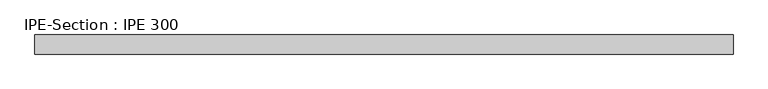
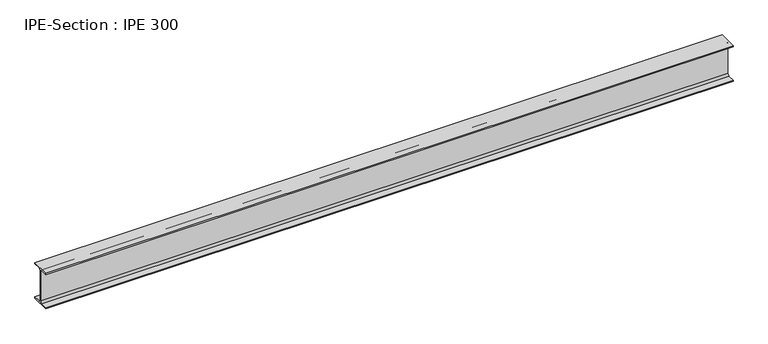
"""IFC4 building model written with IfcOpenShell, lengths in millimetres: beam geometry, IPE-Section : IPE 300."""

from ifc_helpers import new_model, si_unit, point, frame, frame_2d, origin, place, context, project, spatial, polyline, circle_curve, trimmed, segment, composite_curve, outline, extrude, source, transform, mapped, element, save


def ipe_section_ipe_300_46ba0579(model_context):
    return source(origin(), model_context, "Body", "SweptSolid", [
        extrude(outline(composite_curve([segment(polyline([(75.0, -139.3), (75.0, -150.0), (-75.0, -150.0), (-75.0, -139.3), (-18.55, -139.3)]), True, "CONTINUOUS"), segment(trimmed(circle_curve(frame_2d((-18.55, -124.3)), 15.0), [point((-18.55, -139.3))], [point((-3.55, -124.3))], True, "CARTESIAN"), True, "CONTINUOUS"), segment(polyline([(-3.55, -124.3), (-3.55, 124.3)]), True, "CONTINUOUS"), segment(trimmed(circle_curve(frame_2d((-18.55, 124.3)), 15.0), [point((-3.55, 124.3))], [point((-18.55, 139.3))], True, "CARTESIAN"), True, "CONTINUOUS"), segment(polyline([(-18.55, 139.3), (-75.0, 139.3), (-75.0, 150.0), (75.0, 150.0), (75.0, 139.3), (18.55, 139.3)]), True, "CONTINUOUS"), segment(trimmed(circle_curve(frame_2d((18.55, 124.3)), 15.0), [point((18.55, 139.3))], [point((3.55, 124.3))], True, "CARTESIAN"), True, "CONTINUOUS"), segment(polyline([(3.55, 124.3), (3.55, -124.3)]), True, "CONTINUOUS"), segment(trimmed(circle_curve(frame_2d((18.55, -124.3)), 15.0), [point((3.55, -124.3))], [point((18.55, -139.3))], True, "CARTESIAN"), True, "CONTINUOUS"), segment(polyline([(18.55, -139.3), (75.0, -139.3)]), True, "CONTINUOUS")], self_intersect=False)), frame((-2723.5986881, 0.0, 0.0), z_axis=(1.0, 0.0, 0.0), x_axis=(0.0, 1.0, 0.0)), (0.0, 0.0, 1.0), 5473.661336),
    ])


if __name__ == "__main__":
    model = new_model("IFC4")
    model_context = context("Model", 3, world=origin())
    ifc_project = project(units=[si_unit("LENGTHUNIT", "METRE", prefix="MILLI")], contexts=[model_context])
    site = spatial("IfcSite", under=ifc_project)
    building = spatial("IfcBuilding", under=site)
    placement = place(None, origin())
    ipe_section_ipe_300_shape = ipe_section_ipe_300_46ba0579(model_context)
    element("IfcBeam", 1, ObjectType="IPE-Section : IPE 300", at=placement, inside=building, context=model_context, shape_type="MappedRepresentation", body=[
        mapped(ipe_section_ipe_300_shape, transform((0.0, 0.0, 0.0), x_axis=(1.0, 0.0, 0.0), y_axis=(0.0, 1.0, 0.0), z_axis=(0.0, 0.0, 1.0))),
    ])
    save(model, "model.ifc")
